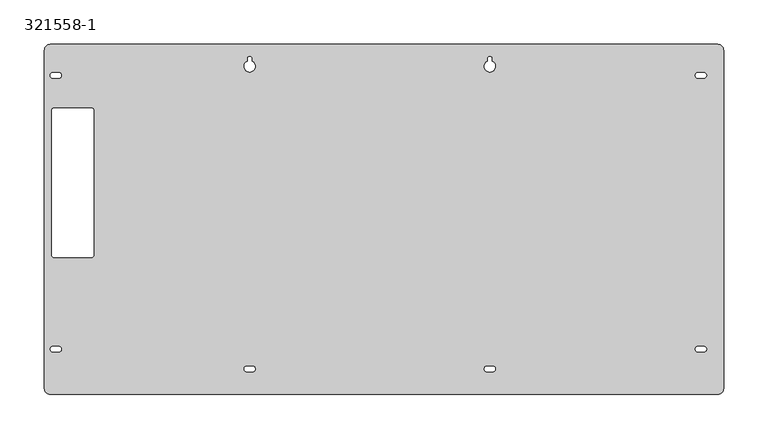
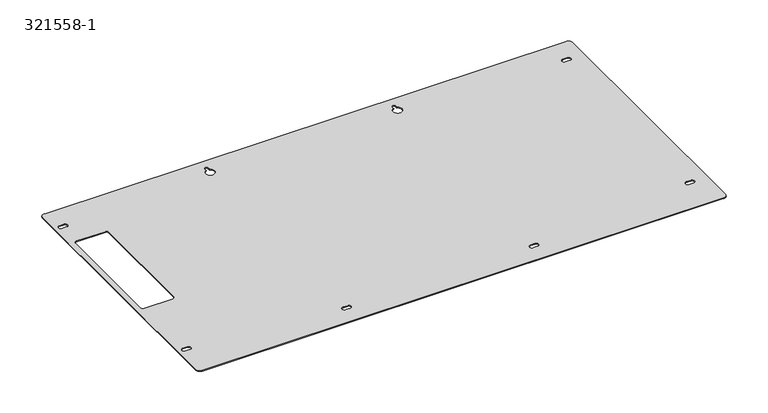
"""IFC4 building model written with IfcOpenShell, lengths in millimetres: proxy geometry, 321558-1."""

from ifc_helpers import new_model, si_unit, point, frame_2d, origin, origin_with_axes, place, context, project, spatial, polyline, circle_curve, trimmed, segment, composite_curve, outline, extrude, source, transform, mapped, element, save


def proxy_321558_1_85fb9d98(model_context):
    return source(origin(), model_context, "Body", "SweptSolid", [
        extrude(outline(composite_curve([segment(trimmed(circle_curve(frame_2d((375.2088, -190.5)), 6.35), [point((381.5588, -190.5))], [point((375.2088, -196.85))], False, "CARTESIAN"), True, "CONTINUOUS"), segment(polyline([(375.2088, -196.85), (-375.2088, -196.85)]), True, "CONTINUOUS"), segment(trimmed(circle_curve(frame_2d((-375.2088, -190.5)), 6.35), [point((-375.2088, -196.85))], [point((-381.5588, -190.5))], False, "CARTESIAN"), True, "CONTINUOUS"), segment(polyline([(-381.5588, -190.5), (-381.5588, 190.5)]), True, "CONTINUOUS"), segment(trimmed(circle_curve(frame_2d((-375.2088, 190.5)), 6.35), [point((-381.5588, 190.5))], [point((-375.2088, 196.85))], False, "CARTESIAN"), True, "CONTINUOUS"), segment(polyline([(-375.2088, 196.85), (375.2088, 196.85)]), True, "CONTINUOUS"), segment(trimmed(circle_curve(frame_2d((375.2088, 190.5)), 6.35), [point((375.2088, 196.85))], [point((381.5588, 190.5))], False, "CARTESIAN"), True, "CONTINUOUS"), segment(polyline([(381.5588, 190.5), (381.5588, -190.5)]), True, "CONTINUOUS")], self_intersect=False), holes=[composite_curve([segment(trimmed(circle_curve(frame_2d((115.7478, -168.275)), 3.175), [point((115.7478, -165.1))], [point((115.7478, -171.45))], True, "CARTESIAN"), True, "CONTINUOUS"), segment(polyline([(115.7478, -171.45), (122.0978, -171.45)]), True, "CONTINUOUS"), segment(trimmed(circle_curve(frame_2d((122.0978, -168.275)), 3.175), [point((122.0978, -171.45))], [point((122.0978, -165.1))], True, "CARTESIAN"), True, "CONTINUOUS"), segment(polyline([(122.0978, -165.1), (115.7478, -165.1)]), True, "CONTINUOUS")], self_intersect=False), composite_curve([segment(trimmed(circle_curve(frame_2d((-147.7772, -168.275)), 3.175), [point((-147.7772, -171.45))], [point((-147.7772, -165.1))], True, "CARTESIAN"), True, "CONTINUOUS"), segment(polyline([(-147.7772, -165.1), (-154.1272, -165.1)]), True, "CONTINUOUS"), segment(trimmed(circle_curve(frame_2d((-154.1272, -168.275)), 3.175), [point((-154.1272, -165.1))], [point((-154.1272, -171.45))], True, "CARTESIAN"), True, "CONTINUOUS"), segment(polyline([(-154.1272, -171.45), (-147.7772, -171.45)]), True, "CONTINUOUS")], self_intersect=False), composite_curve([segment(trimmed(circle_curve(frame_2d((-365.6837998, -146.0499928)), 3.175), [point((-365.6837998, -149.2249928))], [point((-365.6837998, -142.8749928))], True, "CARTESIAN"), True, "CONTINUOUS"), segment(polyline([(-365.6837998, -142.8749928), (-372.0337998, -142.8749928)]), True, "CONTINUOUS"), segment(trimmed(circle_curve(frame_2d((-372.0337998, -146.0499928)), 3.175), [point((-372.0337998, -142.8749928))], [point((-372.0337998, -149.2249928))], True, "CARTESIAN"), True, "CONTINUOUS"), segment(polyline([(-372.0337998, -149.2249928), (-365.6837998, -149.2249928)]), True, "CONTINUOUS")], self_intersect=False), composite_curve([segment(polyline([(352.9838, 158.75), (359.3338, 158.75)]), True, "CONTINUOUS"), segment(trimmed(circle_curve(frame_2d((359.3338, 161.925)), 3.175), [point((359.3338, 158.75))], [point((359.3338, 165.1))], True, "CARTESIAN"), True, "CONTINUOUS"), segment(polyline([(359.3338, 165.1), (352.9838, 165.1)]), True, "CONTINUOUS"), segment(trimmed(circle_curve(frame_2d((352.9838, 161.925)), 3.175), [point((352.9838, 165.1))], [point((352.9838, 158.75))], True, "CARTESIAN"), True, "CONTINUOUS")], self_intersect=False), composite_curve([segment(polyline([(359.3337967, -142.8749962), (352.9837967, -142.8749962)]), True, "CONTINUOUS"), segment(trimmed(circle_curve(frame_2d((352.9837967, -146.0499962)), 3.175), [point((352.9837967, -142.8749962))], [point((352.9837967, -149.2249962))], True, "CARTESIAN"), True, "CONTINUOUS"), segment(polyline([(352.9837967, -149.2249962), (359.3337967, -149.2249962)]), True, "CONTINUOUS"), segment(trimmed(circle_curve(frame_2d((359.3337967, -146.0499962)), 3.175), [point((359.3337967, -149.2249962))], [point((359.3337967, -142.8749962))], True, "CARTESIAN"), True, "CONTINUOUS")], self_intersect=False), composite_curve([segment(polyline([(-365.2511615, 165.1462576), (-372.0569276, 165.1462576)]), True, "CONTINUOUS"), segment(trimmed(circle_curve(frame_2d((-372.0569276, 161.9712576)), 3.175), [point((-372.0569276, 165.1462576))], [point((-372.0569276, 158.7962576))], True, "CARTESIAN"), True, "CONTINUOUS"), segment(polyline([(-372.0569276, 158.7962576), (-365.2511615, 158.7962576)]), True, "CONTINUOUS"), segment(trimmed(circle_curve(frame_2d((-365.7069276, 161.9712576)), 3.2075454), [point((-365.2511615, 158.7962576))], [point((-365.2511615, 165.1462576))], True, "CARTESIAN"), True, "CONTINUOUS")], self_intersect=False), composite_curve([segment(polyline([(116.54155, 180.975), (116.54155, 178.1240075)]), True, "CONTINUOUS"), segment(trimmed(circle_curve(frame_2d((118.9228, 172.2374)), 6.35), [point((116.54155, 178.1240075))], [point((121.30405, 178.1240075))], True, "CARTESIAN"), True, "CONTINUOUS"), segment(polyline([(121.30405, 178.1240075), (121.30405, 180.975)]), True, "CONTINUOUS"), segment(trimmed(circle_curve(frame_2d((118.9228, 180.975)), 2.38125), [point((121.30405, 180.975))], [point((116.54155, 180.975))], True, "CARTESIAN"), True, "CONTINUOUS")], self_intersect=False), composite_curve([segment(polyline([(-153.33345, 180.9703894), (-153.33345, 178.1193969)]), True, "CONTINUOUS"), segment(trimmed(circle_curve(frame_2d((-150.9522, 172.2327894)), 6.35), [point((-153.33345, 178.1193969))], [point((-148.57095, 178.1193969))], True, "CARTESIAN"), True, "CONTINUOUS"), segment(polyline([(-148.57095, 178.1193969), (-148.57095, 180.9703894)]), True, "CONTINUOUS"), segment(trimmed(circle_curve(frame_2d((-150.9522, 180.9703894)), 2.38125), [point((-148.57095, 180.9703894))], [point((-153.33345, 180.9703894))], True, "CARTESIAN"), True, "CONTINUOUS")], self_intersect=False), composite_curve([segment(trimmed(circle_curve(frame_2d((-329.1713, 122.2375)), 3.175), [point((-325.9963, 122.2375))], [point((-329.1713, 125.4125))], True, "CARTESIAN"), True, "CONTINUOUS"), segment(polyline([(-329.1713, 125.4125), (-370.4463, 125.4125)]), True, "CONTINUOUS"), segment(trimmed(circle_curve(frame_2d((-370.4463, 122.2375)), 3.175), [point((-370.4463, 125.4125))], [point((-373.6213, 122.2375))], True, "CARTESIAN"), True, "CONTINUOUS"), segment(polyline([(-373.6213, 122.2375), (-373.6213, -39.6875)]), True, "CONTINUOUS"), segment(trimmed(circle_curve(frame_2d((-370.4463, -39.6875)), 3.175), [point((-373.6213, -39.6875))], [point((-370.4463, -42.8625))], True, "CARTESIAN"), True, "CONTINUOUS"), segment(polyline([(-370.4463, -42.8625), (-329.1713, -42.8625)]), True, "CONTINUOUS"), segment(trimmed(circle_curve(frame_2d((-329.1713, -39.6875)), 3.175), [point((-329.1713, -42.8625))], [point((-325.9963, -39.6875))], True, "CARTESIAN"), True, "CONTINUOUS"), segment(polyline([(-325.9963, -39.6875), (-325.9963, 122.2375)]), True, "CONTINUOUS")], self_intersect=False)]), origin_with_axes(), (0.0, 0.0, 1.0), 0.9144),
    ])


if __name__ == "__main__":
    model = new_model("IFC4")
    model_context = context("Model", 3, world=origin())
    ifc_project = project(units=[si_unit("LENGTHUNIT", "METRE", prefix="MILLI")], contexts=[model_context])
    site = spatial("IfcSite", under=ifc_project)
    building = spatial("IfcBuilding", under=site)
    placement = place(None, origin())
    proxy_321558_1_shape = proxy_321558_1_85fb9d98(model_context)
    element("IfcBuildingElementProxy", 1, Name="321558-1", ObjectType="321558-1", at=placement, inside=building, context=model_context, shape_type="MappedRepresentation", body=[
        mapped(proxy_321558_1_shape, transform((0.0, 0.0, 0.0), x_axis=(1.0, 0.0, 0.0), y_axis=(0.0, 1.0, 0.0), z_axis=(0.0, 0.0, 1.0))),
    ])
    save(model, "model.ifc")
